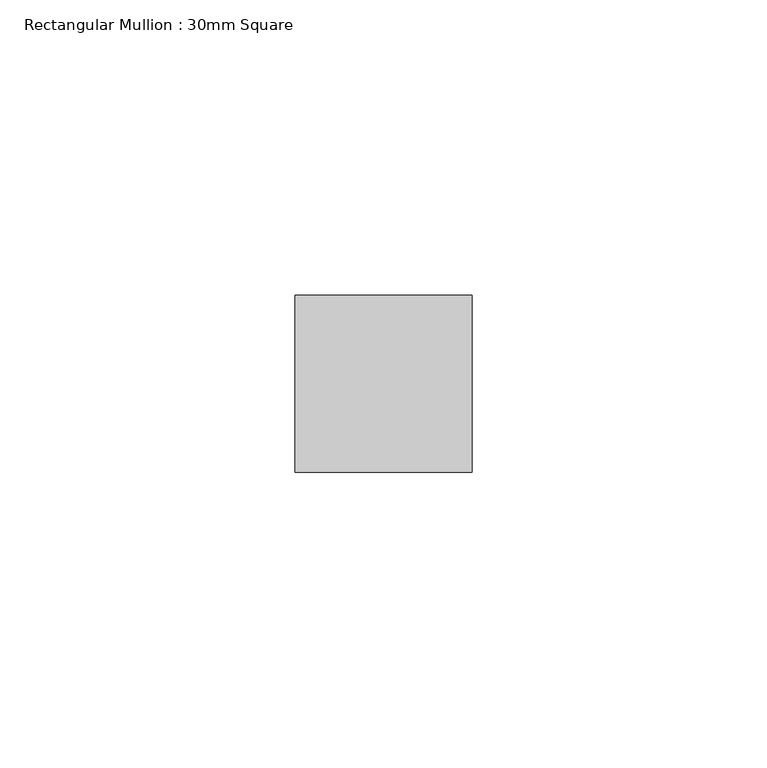
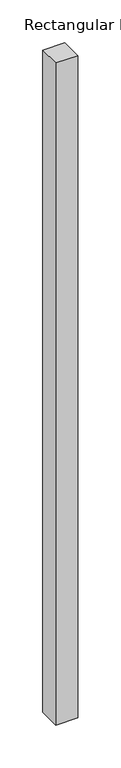
"""IFC4 building model written with IfcOpenShell, lengths in millimetres: member geometry, Rectangular Mullion : 30mm Square."""

from ifc_helpers import new_model, si_unit, frame, origin, place, context, project, spatial, polyline, outline, extrude, source, transform, mapped, element, save


def rectangular_mullion_30mm_square_bf2679a1(model_context):
    return source(origin(), model_context, "Body", "SweptSolid", [
        extrude(outline(polyline([(0.0, 15.0), (0.0, -15.0), (-30.0, -15.0), (-30.0, 15.0), (0.0, 15.0)])), frame((0.0, 0.0, -945.5291604), z_axis=(0.0, 0.0, 1.0), x_axis=(1.0, 0.0, 0.0)), (0.0, 0.0, 1.0), 945.5291604),
    ])


if __name__ == "__main__":
    model = new_model("IFC4")
    model_context = context("Model", 3, world=origin())
    ifc_project = project(units=[si_unit("LENGTHUNIT", "METRE", prefix="MILLI")], contexts=[model_context])
    site = spatial("IfcSite", under=ifc_project)
    building = spatial("IfcBuilding", under=site)
    placement = place(None, origin())
    rectangular_mullion_30mm_square_shape = rectangular_mullion_30mm_square_bf2679a1(model_context)
    element("IfcMember", 1, ObjectType="Rectangular Mullion : 30mm Square", at=placement, inside=building, context=model_context, shape_type="MappedRepresentation", body=[
        mapped(rectangular_mullion_30mm_square_shape, transform((0.0, 0.0, 0.0), x_axis=(1.0, 0.0, 0.0), y_axis=(0.0, 1.0, 0.0), z_axis=(0.0, 0.0, 1.0))),
    ])
    save(model, "model.ifc")
